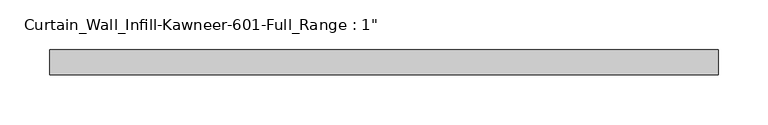
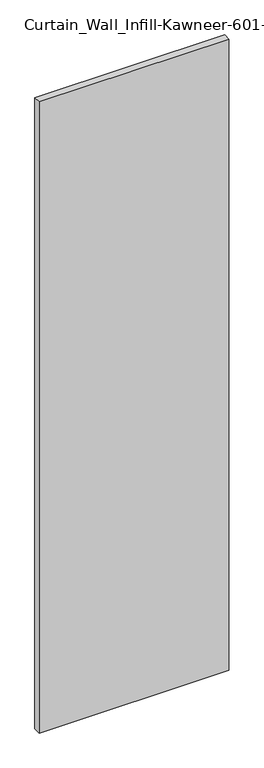
"""IFC4 building model written with IfcOpenShell, lengths in millimetres: plate geometry."""

import ifcopenshell
import ifcopenshell.guid

model = None  # the IFC model being written
_history = None  # IfcOwnerHistory: only IFC2X3 demands one
_inside = {}  # id of a spatial element -> (the spatial element, [elements in it])
_under = {}  # id of a project, library or spatial element -> (it, [spatial elements below it])
_declared = {}  # id of a project -> (the project, [libraries it declares])
_typed = {}  # id of a type object -> (the type object, [elements of that type])
_made_of = {}  # id of a material, layer set ... -> (it, [elements and type objects made of it])


def new_model(schema):
    """Start an empty IFC model of exactly this schema.

    Asked for "IFC4X3", IfcOpenShell would pick the latest addendum, in which some entities
    have other attributes; the version numbers below select the first issue.
    IFC2X3 requires an IfcOwnerHistory on every rooted entity: one is made here for all.
    """
    global model, _history
    if schema == "IFC4X3":
        model = ifcopenshell.file(schema_version=(4, 3, 0, 0))
    else:
        model = ifcopenshell.file(schema=schema)
    _inside.clear()
    _under.clear()
    _declared.clear()
    _typed.clear()
    _made_of.clear()
    _history = None
    if model.schema == "IFC2X3":
        org = make("IfcOrganization", Name="unknown")
        user = make(
            "IfcPersonAndOrganization",
            ThePerson=make("IfcPerson", FamilyName="unknown"),
            TheOrganization=org,
        )
        app = make(
            "IfcApplication",
            ApplicationDeveloper=org,
            Version="unknown",
            ApplicationFullName="unknown",
            ApplicationIdentifier="unknown",
        )
        _history = make(
            "IfcOwnerHistory",
            OwningUser=user,
            OwningApplication=app,
            ChangeAction="ADDED",
            CreationDate=0,
        )
    return model


def make(cls, **values):
    """One entity of the class cls with the attributes given. An attribute that is None is left unset."""
    return model.create_entity(
        cls, **{name: value for name, value in values.items() if value is not None}
    )


def rooted(cls, **values):
    """An entity with a GlobalId (a new one), such as an element, a storey or a relation."""
    return make(cls, GlobalId=ifcopenshell.guid.new(), OwnerHistory=_history, **values)


def si_unit(unit_type, name, prefix=None):
    """IfcSIUnit, for example si_unit("LENGTHUNIT", "METRE", prefix="MILLI")."""
    return make("IfcSIUnit", UnitType=unit_type, Prefix=prefix, Name=name)


def assignment(units):
    """IfcUnitAssignment: the units of a project."""
    return None if units is None else make("IfcUnitAssignment", Units=units)


def point(xyz):
    """IfcCartesianPoint."""
    return None if xyz is None else make("IfcCartesianPoint", Coordinates=xyz)


def direction(xyz):
    """IfcDirection."""
    return None if xyz is None else make("IfcDirection", DirectionRatios=xyz)


def frame(location, z_axis=None, x_axis=None):
    """IfcAxis2Placement3D, a coordinate frame: its origin and axes. An axis left out is left unset."""
    return make(
        "IfcAxis2Placement3D",
        Location=point(location),
        Axis=direction(z_axis),
        RefDirection=direction(x_axis),
    )


def origin():
    """The frame at (0, 0, 0) with its axes left unset."""
    return frame((0.0, 0.0, 0.0))


def origin_with_axes():
    """The frame at (0, 0, 0) with the z axis (0, 0, 1) and the x axis (1, 0, 0) written out."""
    return frame((0.0, 0.0, 0.0), z_axis=(0.0, 0.0, 1.0), x_axis=(1.0, 0.0, 0.0))


def place(relative_to, where):
    """IfcLocalPlacement: puts the frame where relative to a parent placement (None: the world)."""
    return make(
        "IfcLocalPlacement", PlacementRelTo=relative_to, RelativePlacement=where
    )


def context(
    kind, dimensions, precision=None, world=None, true_north=None, identifier=None
):
    """IfcGeometricRepresentationContext, for example the 3D "Model" context."""
    return make(
        "IfcGeometricRepresentationContext",
        ContextIdentifier=identifier,
        ContextType=kind,
        CoordinateSpaceDimension=dimensions,
        Precision=precision,
        WorldCoordinateSystem=world,
        TrueNorth=true_north,
    )


def project(units=None, contexts=None):
    """IfcProject with its units and contexts."""
    return rooted(
        "IfcProject",
        Name="project",
        RepresentationContexts=contexts,
        UnitsInContext=assignment(units),
    )


def spatial(cls, under=None, at=None, **own):
    """A site, building, storey or space (cls), placed at a placement, below another one or the project."""
    s = rooted(cls, ObjectPlacement=at, **own)
    if under is not None:
        _under.setdefault(under.id(), (under, []))[1].append(s)
    return s


def polyline(points):
    """IfcPolyline through the points."""
    return make("IfcPolyline", Points=[point(p) for p in points])


def outline(outer, holes=None, kind="AREA"):
    """IfcArbitraryClosedProfileDef: a profile drawn as a closed curve; with holes, ...WithVoids."""
    if holes is None:
        return make("IfcArbitraryClosedProfileDef", ProfileType=kind, OuterCurve=outer)
    return make(
        "IfcArbitraryProfileDefWithVoids",
        ProfileType=kind,
        OuterCurve=outer,
        InnerCurves=holes,
    )


def extrude(swept, where, along, depth):
    """IfcExtrudedAreaSolid: the profile swept, set in the frame where, extruded along a direction by depth."""
    return make(
        "IfcExtrudedAreaSolid",
        SweptArea=swept,
        Position=where,
        ExtrudedDirection=direction(along),
        Depth=depth,
    )


def shape(context_of_items, identifier, shape_type, items):
    """IfcShapeRepresentation: the items that make up one representation, for example the "Body"."""
    return make(
        "IfcShapeRepresentation",
        ContextOfItems=context_of_items,
        RepresentationIdentifier=identifier,
        RepresentationType=shape_type,
        Items=items,
    )


def source(mapping_origin, context_of_items, identifier, shape_type, items):
    """IfcRepresentationMap: a shape defined once, which mapped items show again and again."""
    return make(
        "IfcRepresentationMap",
        MappingOrigin=mapping_origin,
        MappedRepresentation=shape(context_of_items, identifier, shape_type, items),
    )


def transform(
    local_origin,
    x_axis=None,
    y_axis=None,
    z_axis=None,
    scale=None,
    scale2=None,
    scale3=None,
    uniform=True,
):
    """IfcCartesianTransformationOperator3D, or its non-uniform kind. x_axis, y_axis, z_axis: its Axis1, 2, 3."""
    if uniform:
        return make(
            "IfcCartesianTransformationOperator3D",
            Axis1=direction(x_axis),
            Axis2=direction(y_axis),
            LocalOrigin=point(local_origin),
            Scale=scale,
            Axis3=direction(z_axis),
        )
    return make(
        "IfcCartesianTransformationOperator3DnonUniform",
        Axis1=direction(x_axis),
        Axis2=direction(y_axis),
        LocalOrigin=point(local_origin),
        Scale=scale,
        Axis3=direction(z_axis),
        Scale2=scale2,
        Scale3=scale3,
    )


def mapped(mapping_source, mapping_target):
    """IfcMappedItem: shows the shape of a source again, moved by a transform."""
    return make(
        "IfcMappedItem", MappingSource=mapping_source, MappingTarget=mapping_target
    )


def made_of(thing, what):
    """Note that an element or type object is made of a material, layer set ...; save() writes the relation."""
    if what is not None:
        _made_of.setdefault(what.id(), (what, []))[1].append(thing)
    return thing


def element(
    cls,
    number,
    at=None,
    inside=None,
    cuts=None,
    type_object=None,
    material=None,
    context=None,
    identifier="Body",
    shape_type=None,
    held_by="IfcProductDefinitionShape",
    body=None,
    shapes=None,
    **own,
):
    """One element of the class cls, such as IfcWall. Its Tag is "e" and its number.

    at: its placement. inside: the storey or other place that contains it. cuts: it is an
    opening in that element (IfcRelVoidsElement). A single representation is given by context,
    identifier, shape_type and body (its items); several are given by shapes. held_by: the class
    of the entity that holds the representations. save() writes the other relations.
    """
    e = rooted(cls, Tag="e%d" % number, ObjectPlacement=at, **own)
    if body is not None:
        shapes = [shape(context, identifier, shape_type, body)]
    if shapes is not None:
        e.Representation = make(held_by, Representations=shapes)
    if inside is not None:
        _inside.setdefault(inside.id(), (inside, []))[1].append(e)
    if cuts is not None:
        rooted(
            "IfcRelVoidsElement", RelatingBuildingElement=cuts, RelatedOpeningElement=e
        )
    if type_object is not None:
        _typed.setdefault(type_object.id(), (type_object, []))[1].append(e)
    return made_of(e, material)


def aggregate(whole, parts):
    """IfcRelAggregates: a whole, such as a stair, and the parts it consists of."""
    return rooted("IfcRelAggregates", RelatingObject=whole, RelatedObjects=parts)


def save(model, path):
    """Write the relations noted so far, then the file.

    IfcRelAggregates (storeys below a building ...), IfcRelContainedInSpatialStructure (elements
    in a storey), IfcRelDefinesByType, IfcRelAssociatesMaterial and IfcRelDeclares: one each for
    every whole, place, type object, material and project.
    """
    for whole, parts in _under.values():
        aggregate(whole, parts)
    for where, things in _inside.values():
        rooted(
            "IfcRelContainedInSpatialStructure",
            RelatedElements=things,
            RelatingStructure=where,
        )
    for kind, things in _typed.values():
        rooted("IfcRelDefinesByType", RelatedObjects=things, RelatingType=kind)
    for what, things in _made_of.values():
        rooted("IfcRelAssociatesMaterial", RelatedObjects=things, RelatingMaterial=what)
    for by, libraries in _declared.values():
        rooted("IfcRelDeclares", RelatingContext=by, RelatedDefinitions=libraries)
    model.write(path)


def plate_e6676ad8(model_context):
    return source(origin(), model_context, "Body", "SweptSolid", [
        extrude(outline(polyline([(-336.8707065, -12.7), (-336.8707065, 12.7), (336.8707065, 12.7), (336.8707065, -12.7), (-336.8707065, -12.7)])), origin_with_axes(), (0.0, 0.0, 1.0), 2368.55),
    ])


if __name__ == "__main__":
    model = new_model("IFC4")
    model_context = context("Model", 3, world=origin())
    ifc_project = project(units=[si_unit("LENGTHUNIT", "METRE", prefix="MILLI")], contexts=[model_context])
    site = spatial("IfcSite", under=ifc_project)
    building = spatial("IfcBuilding", under=site)
    placement = place(None, origin())
    plate_shape = plate_e6676ad8(model_context)
    element("IfcPlate", 1, ObjectType="Curtain_Wall_Infill-Kawneer-601-Full_Range : 1\"", at=placement, inside=building, context=model_context, shape_type="MappedRepresentation", body=[
        mapped(plate_shape, transform((0.0, 0.0, 0.0), x_axis=(1.0, 0.0, 0.0), y_axis=(0.0, 1.0, 0.0), z_axis=(0.0, 0.0, 1.0))),
    ])
    save(model, "model.ifc")
